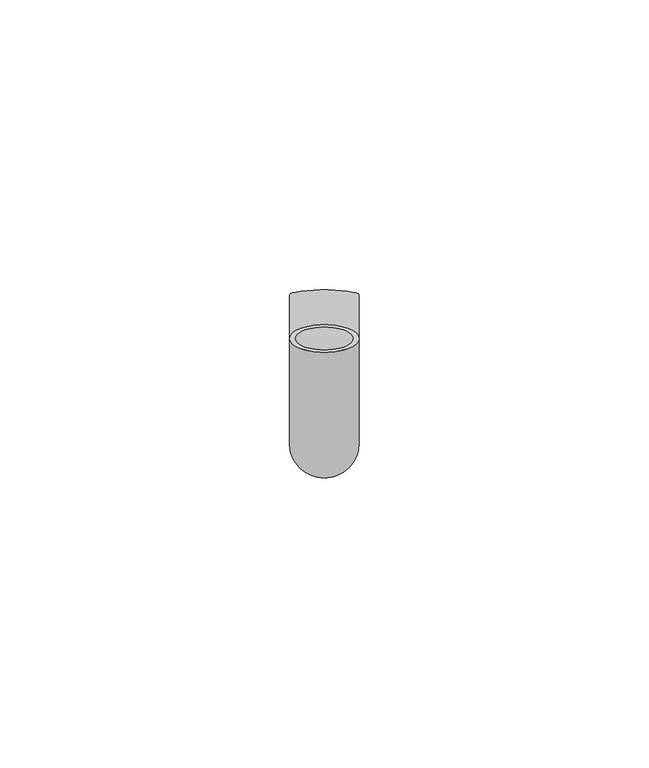
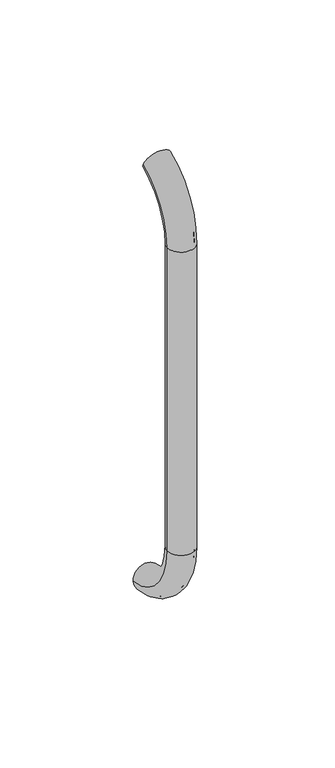
"""IFC4 building model written with IfcOpenShell, lengths in millimetres: beam geometry."""

from ifc_helpers import new_model, si_unit, point, frame, origin, place, context, project, spatial, polyline, circle_curve, ellipse_curve, trimmed, source, transform, mapped, element, save
from ifc_brep_helpers import plane_surface, cylinder_surface, revolved_surface, advanced_brep


def beam_9a6f5323(model_context):
    return source(origin(), model_context, "Body", "AdvancedBrep", [
        advanced_brep(
        [(3611.4386176, 2444.0395554, 1993.7787656), (3623.4386176, 2444.0395554, 1993.7787656), (3612.4386176, 2444.0395554, 1993.7787656), (3622.4386176, 2444.0395554, 1993.7787656), (3622.4386176, 2425.9629385, 1966.25), (3612.4386176, 2425.9629385, 1966.25), (3623.4386176, 2425.9629385, 1966.25), (3611.4386176, 2425.9629385, 1966.25), (3612.4386176, 2425.9629385, 1826.25), (3622.4386176, 2425.9629385, 1826.25), (3611.4386176, 2425.9629385, 1826.25), (3623.4386176, 2425.9629385, 1826.25), (3611.4386176, 2451.5825147, 1796.5715249), (3623.4386176, 2451.5825147, 1796.5715249), (3612.4386176, 2451.5825147, 1796.5715249), (3622.4386176, 2451.5825147, 1796.5715249)],
        [
            (0, 1, circle_curve(frame((3617.4386176, 2444.0395554, 1993.7787656), z_axis=(0.0, 0.9176255197351176, 0.3974461039321624), x_axis=(1.0, 0.0, 0.0)), 6.0)),
            (1, 0, circle_curve(frame((3617.4386176, 2444.0395554, 1993.7787656), z_axis=(0.0, 0.9176255197351176, 0.3974461039321624), x_axis=(1.0, 0.0, 0.0)), 6.0)),
            (2, 3, circle_curve(frame((3617.4386176, 2444.0395554, 1993.7787656), z_axis=(0.0, -0.9176255197351176, -0.3974461039321624), x_axis=(1.0, 0.0, 0.0)), 5.0)),
            (3, 2, circle_curve(frame((3617.4386176, 2444.0395554, 1993.7787656), z_axis=(0.0, -0.9176255197351176, -0.3974461039321624), x_axis=(1.0, 0.0, 0.0)), 5.0)),
            (4, 3, circle_curve(frame((3622.4386176, 2455.9629385, 1966.25), z_axis=(-1.0, 0.0, 0.0), x_axis=(0.0, -0.3974461039321624, 0.9176255197351176)), 30.0)),
            (2, 5, circle_curve(frame((3612.4386176, 2455.9629385, 1966.25), z_axis=(1.0, 0.0, 0.0), x_axis=(0.0, -0.3974461039321624, 0.9176255197351176)), 30.0)),
            (5, 4, circle_curve(frame((3617.4386176, 2425.9629385, 1966.25), z_axis=(0.0, 0.0, -1.0), x_axis=(1.0, 0.0, 0.0)), 5.0)),
            (4, 5, circle_curve(frame((3617.4386176, 2425.9629385, 1966.25), z_axis=(0.0, 0.0, -1.0), x_axis=(1.0, 0.0, 0.0)), 5.0)),
            (6, 1, circle_curve(frame((3623.4386176, 2455.9629385, 1966.25), z_axis=(-1.0, 0.0, 0.0), x_axis=(0.0, -0.3974461039321624, 0.9176255197351176)), 30.0)),
            (0, 7, circle_curve(frame((3611.4386176, 2455.9629385, 1966.25), z_axis=(1.0, 0.0, 0.0), x_axis=(0.0, -0.3974461039321624, 0.9176255197351176)), 30.0)),
            (7, 6, circle_curve(frame((3617.4386176, 2425.9629385, 1966.25), z_axis=(0.0, 0.0, 1.0), x_axis=(1.0, 0.0, 0.0)), 6.0)),
            (6, 7, circle_curve(frame((3617.4386176, 2425.9629385, 1966.25), z_axis=(0.0, 0.0, 1.0), x_axis=(1.0, 0.0, 0.0)), 6.0)),
            (5, 8),
            (8, 9, circle_curve(frame((3617.4386176, 2425.9629385, 1826.25), z_axis=(0.0, 0.0, -1.0), x_axis=(1.0, 0.0, 0.0)), 5.0)),
            (9, 4),
            (9, 8, circle_curve(frame((3617.4386176, 2425.9629385, 1826.25), z_axis=(0.0, 0.0, -1.0), x_axis=(1.0, 0.0, 0.0)), 5.0)),
            (7, 10),
            (10, 11, circle_curve(frame((3617.4386176, 2425.9629385, 1826.25), z_axis=(0.0, 0.0, 1.0), x_axis=(1.0, 0.0, 0.0)), 6.0)),
            (11, 6),
            (11, 10, circle_curve(frame((3617.4386176, 2425.9629385, 1826.25), z_axis=(0.0, 0.0, 1.0), x_axis=(1.0, 0.0, 0.0)), 6.0)),
            (12, 13, circle_curve(frame((3617.4386176, 2451.5825147, 1796.5715249), z_axis=(0.0, 0.9892825047438852, -0.14601412879466394), x_axis=(1.0, 0.0, 0.0)), 6.0)),
            (13, 12, circle_curve(frame((3617.4386176, 2451.5825147, 1796.5715249), z_axis=(0.0, 0.9892825047438852, -0.14601412879466394), x_axis=(1.0, 0.0, 0.0)), 6.0)),
            (14, 15, circle_curve(frame((3617.4386176, 2451.5825147, 1796.5715249), z_axis=(0.0, -0.9892825047438852, 0.14601412879466394), x_axis=(1.0, 0.0, 0.0)), 5.0)),
            (15, 14, circle_curve(frame((3617.4386176, 2451.5825147, 1796.5715249), z_axis=(0.0, -0.9892825047438852, 0.14601412879466394), x_axis=(1.0, 0.0, 0.0)), 5.0)),
            (15, 9, circle_curve(frame((3622.4386176, 2455.9629385, 1826.25), z_axis=(-1.0, 0.0, 0.0), x_axis=(0.0, -1.0, 0.0)), 30.0)),
            (8, 14, circle_curve(frame((3612.4386176, 2455.9629385, 1826.25), z_axis=(1.0, 0.0, 0.0), x_axis=(0.0, -1.0, 0.0)), 30.0)),
            (13, 11, circle_curve(frame((3623.4386176, 2455.9629385, 1826.25), z_axis=(-1.0, 0.0, 0.0), x_axis=(0.0, -1.0, 0.0)), 30.0)),
            (10, 12, circle_curve(frame((3611.4386176, 2455.9629385, 1826.25), z_axis=(1.0, 0.0, 0.0), x_axis=(0.0, -1.0, 0.0)), 30.0)),
        ],
        [
            plane_surface(frame((3617.4386176, 2444.0395554, 1993.7787656), z_axis=(0.0, 0.9176255197351176, 0.3974461039321624), x_axis=(1.0, 0.0, 0.0))),
            revolved_surface(trimmed(ellipse_curve(frame((3617.4386176, 2444.0395554, 1993.7787656), z_axis=(0.0, -0.9176255197351176, -0.3974461039321624), x_axis=(1.0, 0.0, 0.0)), 5.0, 5.0), [point((3612.4386176, 2444.0395554, 1993.7787656))], [point((3622.4386176, 2444.0395554, 1993.7787656))], True, "CARTESIAN"), (3617.4386176, 2455.9629385, 1966.25), (1.0, 0.0, 0.0)),
            revolved_surface(trimmed(ellipse_curve(frame((3617.4386176, 2444.0395554, 1993.7787656), z_axis=(0.0, -0.9176255197351176, -0.3974461039321624), x_axis=(1.0, 0.0, 0.0)), 5.0, 5.0), [point((3622.4386176, 2444.0395554, 1993.7787656))], [point((3612.4386176, 2444.0395554, 1993.7787656))], True, "CARTESIAN"), (3617.4386176, 2455.9629385, 1966.25), (1.0, 0.0, 0.0)),
            revolved_surface(trimmed(ellipse_curve(frame((3617.4386176, 2444.0395554, 1993.7787656), z_axis=(0.0, 0.9176255197351176, 0.3974461039321624), x_axis=(1.0, 0.0, 0.0)), 6.0, 6.0), [point((3611.4386176, 2444.0395554, 1993.7787656))], [point((3623.4386176, 2444.0395554, 1993.7787656))], True, "CARTESIAN"), (3617.4386176, 2455.9629385, 1966.25), (1.0, 0.0, 0.0)),
            revolved_surface(trimmed(ellipse_curve(frame((3617.4386176, 2444.0395554, 1993.7787656), z_axis=(0.0, 0.9176255197351176, 0.3974461039321624), x_axis=(1.0, 0.0, 0.0)), 6.0, 6.0), [point((3623.4386176, 2444.0395554, 1993.7787656))], [point((3611.4386176, 2444.0395554, 1993.7787656))], True, "CARTESIAN"), (3617.4386176, 2455.9629385, 1966.25), (1.0, 0.0, 0.0)),
            revolved_surface(polyline([(3622.4386176, 2425.9629385, 1826.25), (3622.4386176, 2425.9629385, 1966.25)]), (3617.4386176, 2425.9629385, 1966.25), (0.0, 0.0, -1.0)),
            cylinder_surface(frame((3617.4386176, 2425.9629385, 1966.25), z_axis=(0.0, 0.0, 1.0), x_axis=(1.0, 0.0, 0.0)), 6.0),
            plane_surface(frame((3617.4386176, 2451.5825147, 1796.5715249), z_axis=(0.0, 0.9892825047438852, -0.14601412879466397), x_axis=(1.0, 0.0, 0.0))),
            revolved_surface(trimmed(ellipse_curve(frame((3617.4386176, 2425.9629385, 1826.25), z_axis=(0.0, 0.0, -1.0), x_axis=(1.0, 0.0, 0.0)), 5.0, 5.0), [point((3612.4386176, 2425.9629385, 1826.25))], [point((3622.4386176, 2425.9629385, 1826.25))], True, "CARTESIAN"), (3617.4386176, 2455.9629385, 1826.25), (1.0, 0.0, 0.0)),
            revolved_surface(trimmed(ellipse_curve(frame((3617.4386176, 2425.9629385, 1826.25), z_axis=(0.0, 0.0, -1.0), x_axis=(1.0, 0.0, 0.0)), 5.0, 5.0), [point((3622.4386176, 2425.9629385, 1826.25))], [point((3612.4386176, 2425.9629385, 1826.25))], True, "CARTESIAN"), (3617.4386176, 2455.9629385, 1826.25), (1.0, 0.0, 0.0)),
            revolved_surface(trimmed(ellipse_curve(frame((3617.4386176, 2425.9629385, 1826.25), z_axis=(0.0, 0.0, 1.0), x_axis=(1.0, 0.0, 0.0)), 6.0, 6.0), [point((3611.4386176, 2425.9629385, 1826.25))], [point((3623.4386176, 2425.9629385, 1826.25))], True, "CARTESIAN"), (3617.4386176, 2455.9629385, 1826.25), (1.0, 0.0, 0.0)),
            revolved_surface(trimmed(ellipse_curve(frame((3617.4386176, 2425.9629385, 1826.25), z_axis=(0.0, 0.0, 1.0), x_axis=(1.0, 0.0, 0.0)), 6.0, 6.0), [point((3623.4386176, 2425.9629385, 1826.25))], [point((3611.4386176, 2425.9629385, 1826.25))], True, "CARTESIAN"), (3617.4386176, 2455.9629385, 1826.25), (1.0, 0.0, 0.0)),
        ],
        [
            (0, [[1, 2], [3, 4]]),
            (1, [[5, -3, 6, 7]]),
            (2, [[-6, -4, -5, 8]]),
            (3, [[9, -1, 10, 11]]),
            (4, [[-10, -2, -9, 12]]),
            (5, [[-7, 13, 14, 15]]),
            (5, [[-8, -15, 16, -13]]),
            (6, [[-11, 17, 18, 19]]),
            (6, [[-12, -19, 20, -17]]),
            (7, [[21, 22], [23, 24]]),
            (8, [[25, -14, 26, -24]]),
            (9, [[-26, -16, -25, -23]]),
            (10, [[27, -18, 28, -22]]),
            (11, [[-28, -20, -27, -21]]),
        ],
    ),
    ])


if __name__ == "__main__":
    model = new_model("IFC4")
    model_context = context("Model", 3, world=origin())
    ifc_project = project(units=[si_unit("LENGTHUNIT", "METRE", prefix="MILLI")], contexts=[model_context])
    site = spatial("IfcSite", under=ifc_project)
    building = spatial("IfcBuilding", under=site)
    placement = place(None, origin())
    beam_shape = beam_9a6f5323(model_context)
    element("IfcBeam", 1, at=placement, inside=building, context=model_context, shape_type="MappedRepresentation", body=[
        mapped(beam_shape, transform((0.0, 0.0, 0.0), x_axis=(1.0, 0.0, 0.0), y_axis=(0.0, 1.0, 0.0), z_axis=(0.0, 0.0, 1.0))),
    ])
    save(model, "model.ifc")
